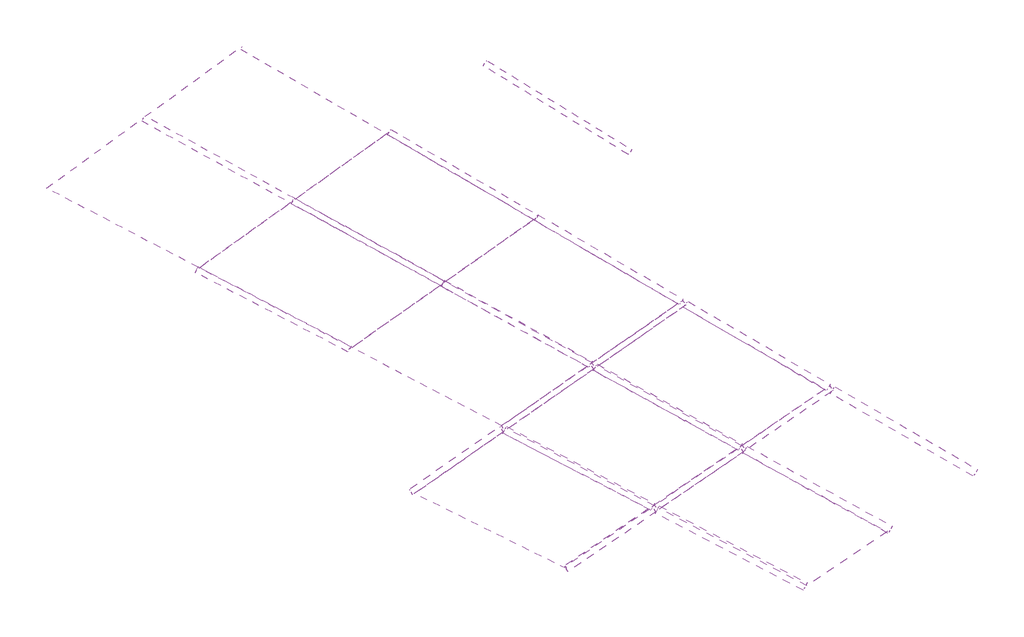
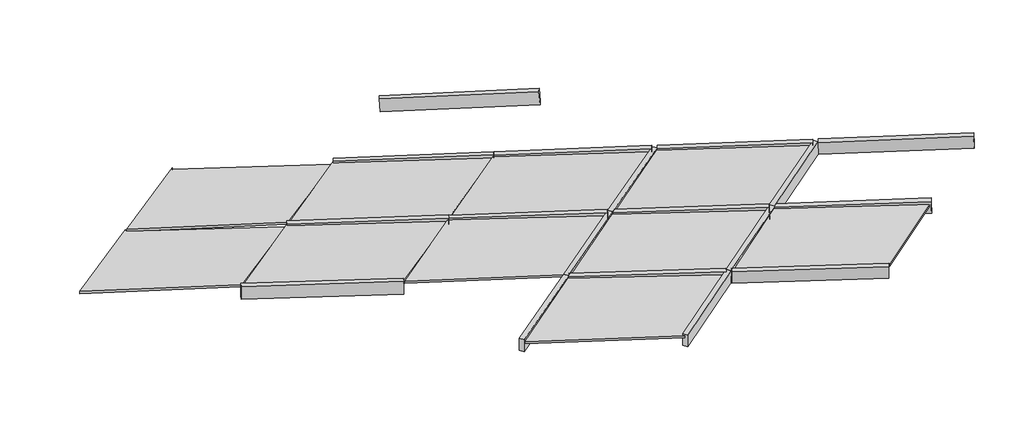
# One storey, part 5 of 18: 18 members, 10 plates.
"""IFC4 building model written with IfcOpenShell, lengths in millimetres."""

import ifcopenshell
import ifcopenshell.guid

model = None  # the IFC model being written
_history = None  # IfcOwnerHistory: only IFC2X3 demands one
_inside = {}  # id of a spatial element -> (the spatial element, [elements in it])
_under = {}  # id of a project, library or spatial element -> (it, [spatial elements below it])
_declared = {}  # id of a project -> (the project, [libraries it declares])
_typed = {}  # id of a type object -> (the type object, [elements of that type])
_made_of = {}  # id of a material, layer set ... -> (it, [elements and type objects made of it])


def new_model(schema):
    """Start an empty IFC model of exactly this schema.

    Asked for "IFC4X3", IfcOpenShell would pick the latest addendum, in which some entities
    have other attributes; the version numbers below select the first issue.
    IFC2X3 requires an IfcOwnerHistory on every rooted entity: one is made here for all.
    """
    global model, _history
    if schema == "IFC4X3":
        model = ifcopenshell.file(schema_version=(4, 3, 0, 0))
    else:
        model = ifcopenshell.file(schema=schema)
    _inside.clear()
    _under.clear()
    _declared.clear()
    _typed.clear()
    _made_of.clear()
    _history = None
    if model.schema == "IFC2X3":
        org = make("IfcOrganization", Name="unknown")
        user = make(
            "IfcPersonAndOrganization",
            ThePerson=make("IfcPerson", FamilyName="unknown"),
            TheOrganization=org,
        )
        app = make(
            "IfcApplication",
            ApplicationDeveloper=org,
            Version="unknown",
            ApplicationFullName="unknown",
            ApplicationIdentifier="unknown",
        )
        _history = make(
            "IfcOwnerHistory",
            OwningUser=user,
            OwningApplication=app,
            ChangeAction="ADDED",
            CreationDate=0,
        )
    return model


def make(cls, **values):
    """One entity of the class cls with the attributes given. An attribute that is None is left unset."""
    return model.create_entity(
        cls, **{name: value for name, value in values.items() if value is not None}
    )


def rooted(cls, **values):
    """An entity with a GlobalId (a new one), such as an element, a storey or a relation."""
    return make(cls, GlobalId=ifcopenshell.guid.new(), OwnerHistory=_history, **values)


def si_unit(unit_type, name, prefix=None):
    """IfcSIUnit, for example si_unit("LENGTHUNIT", "METRE", prefix="MILLI")."""
    return make("IfcSIUnit", UnitType=unit_type, Prefix=prefix, Name=name)


def assignment(units):
    """IfcUnitAssignment: the units of a project."""
    return None if units is None else make("IfcUnitAssignment", Units=units)


def point(xyz):
    """IfcCartesianPoint."""
    return None if xyz is None else make("IfcCartesianPoint", Coordinates=xyz)


def direction(xyz):
    """IfcDirection."""
    return None if xyz is None else make("IfcDirection", DirectionRatios=xyz)


def frame(location, z_axis=None, x_axis=None):
    """IfcAxis2Placement3D, a coordinate frame: its origin and axes. An axis left out is left unset."""
    return make(
        "IfcAxis2Placement3D",
        Location=point(location),
        Axis=direction(z_axis),
        RefDirection=direction(x_axis),
    )


def origin():
    """The frame at (0, 0, 0) with its axes left unset."""
    return frame((0.0, 0.0, 0.0))


def place(relative_to, where):
    """IfcLocalPlacement: puts the frame where relative to a parent placement (None: the world)."""
    return make(
        "IfcLocalPlacement", PlacementRelTo=relative_to, RelativePlacement=where
    )


def context(
    kind, dimensions, precision=None, world=None, true_north=None, identifier=None
):
    """IfcGeometricRepresentationContext, for example the 3D "Model" context."""
    return make(
        "IfcGeometricRepresentationContext",
        ContextIdentifier=identifier,
        ContextType=kind,
        CoordinateSpaceDimension=dimensions,
        Precision=precision,
        WorldCoordinateSystem=world,
        TrueNorth=true_north,
    )


def project(units=None, contexts=None):
    """IfcProject with its units and contexts."""
    return rooted(
        "IfcProject",
        Name="project",
        RepresentationContexts=contexts,
        UnitsInContext=assignment(units),
    )


def spatial(cls, under=None, at=None, **own):
    """A site, building, storey or space (cls), placed at a placement, below another one or the project."""
    s = rooted(cls, ObjectPlacement=at, **own)
    if under is not None:
        _under.setdefault(under.id(), (under, []))[1].append(s)
    return s


def polyline(points):
    """IfcPolyline through the points."""
    return make("IfcPolyline", Points=[point(p) for p in points])


def outline(outer, holes=None, kind="AREA"):
    """IfcArbitraryClosedProfileDef: a profile drawn as a closed curve; with holes, ...WithVoids."""
    if holes is None:
        return make("IfcArbitraryClosedProfileDef", ProfileType=kind, OuterCurve=outer)
    return make(
        "IfcArbitraryProfileDefWithVoids",
        ProfileType=kind,
        OuterCurve=outer,
        InnerCurves=holes,
    )


def extrude(swept, where, along, depth):
    """IfcExtrudedAreaSolid: the profile swept, set in the frame where, extruded along a direction by depth."""
    return make(
        "IfcExtrudedAreaSolid",
        SweptArea=swept,
        Position=where,
        ExtrudedDirection=direction(along),
        Depth=depth,
    )


def shape(context_of_items, identifier, shape_type, items):
    """IfcShapeRepresentation: the items that make up one representation, for example the "Body"."""
    return make(
        "IfcShapeRepresentation",
        ContextOfItems=context_of_items,
        RepresentationIdentifier=identifier,
        RepresentationType=shape_type,
        Items=items,
    )


def source(mapping_origin, context_of_items, identifier, shape_type, items):
    """IfcRepresentationMap: a shape defined once, which mapped items show again and again."""
    return make(
        "IfcRepresentationMap",
        MappingOrigin=mapping_origin,
        MappedRepresentation=shape(context_of_items, identifier, shape_type, items),
    )


def transform(
    local_origin,
    x_axis=None,
    y_axis=None,
    z_axis=None,
    scale=None,
    scale2=None,
    scale3=None,
    uniform=True,
):
    """IfcCartesianTransformationOperator3D, or its non-uniform kind. x_axis, y_axis, z_axis: its Axis1, 2, 3."""
    if uniform:
        return make(
            "IfcCartesianTransformationOperator3D",
            Axis1=direction(x_axis),
            Axis2=direction(y_axis),
            LocalOrigin=point(local_origin),
            Scale=scale,
            Axis3=direction(z_axis),
        )
    return make(
        "IfcCartesianTransformationOperator3DnonUniform",
        Axis1=direction(x_axis),
        Axis2=direction(y_axis),
        LocalOrigin=point(local_origin),
        Scale=scale,
        Axis3=direction(z_axis),
        Scale2=scale2,
        Scale3=scale3,
    )


def mapped(mapping_source, mapping_target):
    """IfcMappedItem: shows the shape of a source again, moved by a transform."""
    return make(
        "IfcMappedItem", MappingSource=mapping_source, MappingTarget=mapping_target
    )


def made_of(thing, what):
    """Note that an element or type object is made of a material, layer set ...; save() writes the relation."""
    if what is not None:
        _made_of.setdefault(what.id(), (what, []))[1].append(thing)
    return thing


def element(
    cls,
    number,
    at=None,
    inside=None,
    cuts=None,
    type_object=None,
    material=None,
    context=None,
    identifier="Body",
    shape_type=None,
    held_by="IfcProductDefinitionShape",
    body=None,
    shapes=None,
    **own,
):
    """One element of the class cls, such as IfcWall. Its Tag is "e" and its number.

    at: its placement. inside: the storey or other place that contains it. cuts: it is an
    opening in that element (IfcRelVoidsElement). A single representation is given by context,
    identifier, shape_type and body (its items); several are given by shapes. held_by: the class
    of the entity that holds the representations. save() writes the other relations.
    """
    e = rooted(cls, Tag="e%d" % number, ObjectPlacement=at, **own)
    if body is not None:
        shapes = [shape(context, identifier, shape_type, body)]
    if shapes is not None:
        e.Representation = make(held_by, Representations=shapes)
    if inside is not None:
        _inside.setdefault(inside.id(), (inside, []))[1].append(e)
    if cuts is not None:
        rooted(
            "IfcRelVoidsElement", RelatingBuildingElement=cuts, RelatedOpeningElement=e
        )
    if type_object is not None:
        _typed.setdefault(type_object.id(), (type_object, []))[1].append(e)
    return made_of(e, material)


def aggregate(whole, parts):
    """IfcRelAggregates: a whole, such as a stair, and the parts it consists of."""
    return rooted("IfcRelAggregates", RelatingObject=whole, RelatedObjects=parts)


def save(model, path):
    """Write the relations noted so far, then the file.

    IfcRelAggregates (storeys below a building ...), IfcRelContainedInSpatialStructure (elements
    in a storey), IfcRelDefinesByType, IfcRelAssociatesMaterial and IfcRelDeclares: one each for
    every whole, place, type object, material and project.
    """
    for whole, parts in _under.values():
        aggregate(whole, parts)
    for where, things in _inside.values():
        rooted(
            "IfcRelContainedInSpatialStructure",
            RelatedElements=things,
            RelatingStructure=where,
        )
    for kind, things in _typed.values():
        rooted("IfcRelDefinesByType", RelatedObjects=things, RelatingType=kind)
    for what, things in _made_of.values():
        rooted("IfcRelAssociatesMaterial", RelatedObjects=things, RelatingMaterial=what)
    for by, libraries in _declared.values():
        rooted("IfcRelDeclares", RelatingContext=by, RelatedDefinitions=libraries)
    model.write(path)


def rectangular_mullion_50_x_150mm_33606231(model_context):
    return source(origin(), model_context, "Body", "SweptSolid", [
        extrude(outline(polyline([(25.0, 75.0), (25.0, -75.0), (-25.0, -75.0), (-25.0, 75.0), (25.0, 75.0)])), frame((0.0, 0.0, -1452.9872634), z_axis=(0.0, 0.0, 1.0), x_axis=(1.0, 0.0, 0.0)), (0.0, 0.0, 1.0), 1452.9872634),
    ])


def rectangular_mullion_50_x_150mm_c1f0a7ff(model_context):
    return source(origin(), model_context, "Body", "SweptSolid", [
        extrude(outline(polyline([(25.0, 75.0), (25.0, -75.0), (-25.0, -75.0), (-25.0, 75.0), (25.0, 75.0)])), frame((0.0, 0.0, -1460.3121686), z_axis=(0.0, 0.0, 1.0), x_axis=(1.0, 0.0, 0.0)), (0.0, 0.0, 1.0), 1460.3121686),
    ])


def rectangular_mullion_50_x_150mm_31a9394d(model_context):
    return source(origin(), model_context, "Body", "SweptSolid", [
        extrude(outline(polyline([(25.0, 75.0), (25.0, -75.0), (-25.0, -75.0), (-25.0, 75.0), (25.0, 75.0)])), frame((0.0, 0.0, -1469.1489137), z_axis=(0.0, 0.0, 1.0), x_axis=(1.0, 0.0, 0.0)), (0.0, 0.0, 1.0), 1469.1489137),
    ])


def rectangular_mullion_50_x_150mm_77b14c54(model_context):
    return source(origin(), model_context, "Body", "SweptSolid", [
        extrude(outline(polyline([(25.0, 75.0), (25.0, -75.0), (-25.0, -75.0), (-25.0, 75.0), (25.0, 75.0)])), frame((0.0, 0.0, -947.8011093), z_axis=(0.0, 0.0, 1.0), x_axis=(1.0, 0.0, 0.0)), (0.0, 0.0, 1.0), 947.8011093),
    ])


def rectangular_mullion_50_x_150mm_375ca35b(model_context):
    return source(origin(), model_context, "Body", "SweptSolid", [
        extrude(outline(polyline([(25.0, 75.0), (25.0, -75.0), (-25.0, -75.0), (-25.0, 75.0), (25.0, 75.0)])), frame((0.0, 0.0, -978.6002071), z_axis=(0.0, 0.0, 1.0), x_axis=(1.0, 0.0, 0.0)), (0.0, 0.0, 1.0), 978.6002071),
    ])


def rectangular_mullion_50_x_150mm_1abe8832(model_context):
    return source(origin(), model_context, "Body", "SweptSolid", [
        extrude(outline(polyline([(25.0, 75.0), (25.0, -75.0), (-25.0, -75.0), (-25.0, 75.0), (25.0, 75.0)])), frame((0.0, 0.0, -1477.9872634), z_axis=(0.0, 0.0, 1.0), x_axis=(1.0, 0.0, 0.0)), (0.0, 0.0, 1.0), 1477.9872634),
    ])


def rectangular_mullion_50_x_150mm_53231dcc(model_context):
    return source(origin(), model_context, "Body", "SweptSolid", [
        extrude(outline(polyline([(25.0, 75.0), (25.0, -75.0), (-25.0, -75.0), (-25.0, 75.0), (25.0, 75.0)])), frame((0.0, 0.0, -1485.3121686), z_axis=(0.0, 0.0, 1.0), x_axis=(1.0, 0.0, 0.0)), (0.0, 0.0, 1.0), 1485.3121686),
    ])


def rectangular_mullion_50_x_150mm_7fa1822e(model_context):
    return source(origin(), model_context, "Body", "SweptSolid", [
        extrude(outline(polyline([(25.0, 75.0), (25.0, -75.0), (-25.0, -75.0), (-25.0, 75.0), (25.0, 75.0)])), frame((0.0, 0.0, -1497.1963877), z_axis=(0.0, 0.0, 1.0), x_axis=(1.0, 0.0, 0.0)), (0.0, 0.0, 1.0), 1497.1963877),
    ])


def rectangular_mullion_50_x_150mm_3273c7d7(model_context):
    return source(origin(), model_context, "Body", "SweptSolid", [
        extrude(outline(polyline([(25.0, 75.0), (25.0, -75.0), (-25.0, -75.0), (-25.0, 75.0), (25.0, 75.0)])), frame((0.0, 0.0, -1502.9872634), z_axis=(0.0, 0.0, 1.0), x_axis=(1.0, 0.0, 0.0)), (0.0, 0.0, 1.0), 1502.9872634),
    ])


def rectangular_mullion_50_x_150mm_cc159122(model_context):
    return source(origin(), model_context, "Body", "SweptSolid", [
        extrude(outline(polyline([(25.0, 75.0), (25.0, -75.0), (-25.0, -75.0), (-25.0, 75.0), (25.0, 75.0)])), frame((0.0, 0.0, -1510.3121686), z_axis=(0.0, 0.0, 1.0), x_axis=(1.0, 0.0, 0.0)), (0.0, 0.0, 1.0), 1510.3121686),
    ])


def rectangular_mullion_50_x_150mm_0ab0c800(model_context):
    return source(origin(), model_context, "Body", "SweptSolid", [
        extrude(outline(polyline([(25.0, 75.0), (25.0, -75.0), (-25.0, -75.0), (-25.0, 75.0), (25.0, 75.0)])), frame((0.0, 0.0, -1519.1489137), z_axis=(0.0, 0.0, 1.0), x_axis=(1.0, 0.0, 0.0)), (0.0, 0.0, 1.0), 1519.1489137),
    ])


def system_panel_glazed_5a9ee959(model_context):
    return source(origin(), model_context, "Body", "SweptSolid", [
        extrude(outline(polyline([(0.0, -920.2584512), (0.0, 527.0260806), (834.2119976, 920.2584512), (804.5699812, -533.9387448), (0.0, -920.2584512)])), frame((0.0, -49.5, 0.0), z_axis=(0.0, 1.0, 0.0), x_axis=(0.0, 0.0, 1.0)), (0.0, 0.0, 1.0), 25.0),
    ])


def system_panel_glazed_e94304ac(model_context):
    return source(origin(), model_context, "Body", "SweptSolid", [
        extrude(outline(polyline([(0.0, -927.8787341), (0.0, 526.0269746), (794.9134617, 927.8787341), (767.4809573, -534.4165622), (0.0, -927.8787341)])), frame((0.0, -49.5, 0.0), z_axis=(0.0, 1.0, 0.0), x_axis=(0.0, 0.0, 1.0)), (0.0, 0.0, 1.0), 25.0),
    ])


def system_panel_glazed_80c0db64(model_context):
    return source(origin(), model_context, "Body", "SweptSolid", [
        extrude(outline(polyline([(0.0, -932.203149), (0.0, 521.8805642), (825.3024619, 932.203149), (796.2439443, -530.2419345), (0.0, -932.203149)])), frame((0.0, -49.5, 0.0), z_axis=(0.0, 1.0, 0.0), x_axis=(0.0, 0.0, 1.0)), (0.0, 0.0, 1.0), 25.0),
    ])


def system_panel_glazed_621a5bd4(model_context):
    return source(origin(), model_context, "Body", "SweptSolid", [
        extrude(outline(polyline([(25.0, 525.7071793), (0.0, 525.7071793), (892.25575, 937.7742256), (860.5841525, -544.4046581), (25.0, -937.7742256), (25.0, 525.7071793)])), frame((0.0, -49.5, 0.0), z_axis=(0.0, 1.0, 0.0), x_axis=(0.0, 0.0, 1.0)), (0.0, 0.0, 1.0), 25.0),
    ])


def system_panel_glazed_10dd1964(model_context):
    return source(origin(), model_context, "Body", "SweptSolid", [
        extrude(outline(polyline([(25.0, 519.2848167), (0.0, 519.2848167), (882.7793625, 950.5960421), (851.669895, -540.116171), (25.0, -950.5960421), (25.0, 519.2848167)])), frame((0.0, -49.5, 0.0), z_axis=(0.0, 1.0, 0.0), x_axis=(0.0, 0.0, 1.0)), (0.0, 0.0, 1.0), 25.0),
    ])


def system_panel_glazed_b504ec8b(model_context):
    return source(origin(), model_context, "Body", "SweptSolid", [
        extrude(outline(polyline([(0.0, -951.1872606), (0.0, 511.1897337), (841.5030793, 951.1872606), (812.5267676, -549.3875289), (800.831173, -527.2919848), (0.0, -951.1872606)])), frame((0.0, -49.5, 0.0), z_axis=(0.0, 1.0, 0.0), x_axis=(0.0, 0.0, 1.0)), (0.0, 0.0, 1.0), 25.0),
    ])


def system_panel_glazed_0fc2bcaa(model_context):
    return source(origin(), model_context, "Body", "SweptSolid", [
        extrude(outline(polyline([(25.0, 536.2537403), (0.0, 536.2537403), (926.0473616, 955.1039708), (892.7164329, -542.7559843), (917.7102456, -543.3121558), (25.0, -955.1039708), (25.0, 536.2537403)])), frame((0.0, -49.5, 0.0), z_axis=(0.0, 1.0, 0.0), x_axis=(0.0, 0.0, 1.0)), (0.0, 0.0, 1.0), 25.0),
    ])


def system_panel_glazed_57475094(model_context):
    return source(origin(), model_context, "Body", "SweptSolid", [
        extrude(outline(polyline([(25.0, 529.2086418), (0.0, 529.2086418), (916.0412679, 968.8050018), (883.2600385, -537.215978), (908.2541182, -537.7600187), (25.0, -968.8050018), (25.0, 529.2086418)])), frame((0.0, -49.5, 0.0), z_axis=(0.0, 1.0, 0.0), x_axis=(0.0, 0.0, 1.0)), (0.0, 0.0, 1.0), 25.0),
    ])


def system_panel_glazed_36cff2f1(model_context):
    return source(origin(), model_context, "Body", "SweptSolid", [
        extrude(outline(polyline([(25.0, 532.9845581), (0.0, 532.9845581), (961.0201909, 958.6166293), (926.4961631, -539.4388393), (951.4895269, -540.0148337), (25.0, -958.6166293), (25.0, 532.9845581)])), frame((0.0, -49.5, 0.0), z_axis=(0.0, 1.0, 0.0), x_axis=(0.0, 0.0, 1.0)), (0.0, 0.0, 1.0), 25.0),
    ])


def system_panel_glazed_27429773(model_context):
    return source(origin(), model_context, "Body", "SweptSolid", [
        extrude(outline(polyline([(25.0, 525.1766212), (0.0, 525.1766212), (950.5107358, 973.0596844), (916.5109733, -533.1376997), (941.5046064, -533.7018871), (25.0, -973.0596844), (25.0, 525.1766212)])), frame((0.0, -49.5, 0.0), z_axis=(0.0, 1.0, 0.0), x_axis=(0.0, 0.0, 1.0)), (0.0, 0.0, 1.0), 25.0),
    ])


model = new_model("IFC4")

# Units and contexts
model_context = context("Model", 3, world=origin())
ifc_project = project(units=[si_unit("LENGTHUNIT", "METRE", prefix="MILLI")], contexts=[model_context])

# Site, building, storey
site = spatial("IfcSite", under=ifc_project)
building = spatial("IfcBuilding", under=site)
storey = spatial("IfcBuildingStorey", under=building, Elevation=16680.0)

# Members
placement = place(None, origin())
rectangular_mullion_50_x_150mm_shape = rectangular_mullion_50_x_150mm_33606231(model_context)
element("IfcMember", 1, ObjectType="Rectangular Mullion : 50 x 150mm", at=placement, inside=storey, context=model_context, shape_type="MappedRepresentation", body=[
    mapped(rectangular_mullion_50_x_150mm_shape, transform((-192369.9898015, -10895.1967632, 20670.3522716), x_axis=(-0.4911950601020363, -0.8588698556801574, -0.14515503413696207), y_axis=(-0.11739560750068201, -0.09984832173361695, 0.9880529257011114), z_axis=(-0.8631023602510324, 0.5023672796380411, -0.05178254607656373))),
])
element("IfcMember", 2, ObjectType="Rectangular Mullion : 50 x 150mm", at=placement, inside=storey, context=model_context, shape_type="MappedRepresentation", body=[
    mapped(rectangular_mullion_50_x_150mm_shape, transform((-193667.221656, -10140.1451404, 20592.5237644), x_axis=(-0.49571418450758314, -0.8623200655922154, -0.10330320302400721), y_axis=(-0.0965492776103373, -0.06349189575144429, 0.9933010702535309), z_axis=(-0.8631023602510329, 0.5023672796380404, -0.05178254607655939))),
])
rectangular_mullion_50_x_150mm_2_shape = rectangular_mullion_50_x_150mm_c1f0a7ff(model_context)
element("IfcMember", 3, ObjectType="Rectangular Mullion : 50 x 150mm", at=placement, inside=storey, context=model_context, shape_type="MappedRepresentation", body=[
    mapped(rectangular_mullion_50_x_150mm_2_shape, transform((-193143.6015174, -11422.3863705, 20525.1630848), x_axis=(-0.47261699893815756, -0.8672713778993139, -0.1564401783152756), y_axis=(-0.10168316493225138, -0.12266575472236636, 0.9872252258667993), z_axis=(-0.8753820344764051, 0.4824867559788743, -0.03021297769058793))),
])
element("IfcMember", 4, ObjectType="Rectangular Mullion : 50 x 150mm", at=placement, inside=storey, context=model_context, shape_type="MappedRepresentation", body=[
    mapped(rectangular_mullion_50_x_150mm_2_shape, transform((-194465.7016563, -10693.6807517, 20479.532057), x_axis=(-0.476541261222278, -0.8717323220026346, -0.11397888018653121), y_axis=(-0.08133092934813503, -0.08537733353107436, 0.9930236607707252), z_axis=(-0.8753820344764046, 0.4824867559788752, -0.030212977690588703))),
])
rectangular_mullion_50_x_150mm_3_shape = rectangular_mullion_50_x_150mm_31a9394d(model_context)
element("IfcMember", 5, ObjectType="Rectangular Mullion : 50 x 150mm", at=placement, inside=storey, context=model_context, shape_type="MappedRepresentation", body=[
    mapped(rectangular_mullion_50_x_150mm_3_shape, transform((-193917.2382786, -11949.5692611, 20379.9788832), x_axis=(-0.4544023089041995, -0.8746691769466465, -0.16873758491221946), y_axis=(-0.08574825993341377, -0.14559465583391082, 0.9856213431693719), z_axis=(-0.8866598996125425, 0.46233756833301043, -0.00884281216552476))),
])
element("IfcMember", 6, ObjectType="Rectangular Mullion : 50 x 150mm", at=placement, inside=storey, context=model_context, shape_type="MappedRepresentation", body=[
    mapped(rectangular_mullion_50_x_150mm_3_shape, transform((-195264.2067019, -11247.2096464, 20366.5453347), x_axis=(-0.4577017202994067, -0.8801737701994885, -0.1257110555511395), y_axis=(-0.06590415505898578, -0.10741558155471487, 0.992027487111735), z_axis=(-0.886659899612543, 0.4623375683330097, -0.008842812165524992))),
])
rectangular_mullion_50_x_150mm_4_shape = rectangular_mullion_50_x_150mm_77b14c54(model_context)
element("IfcMember", 7, ObjectType="Rectangular Mullion : 50 x 150mm", at=placement, inside=storey, context=model_context, shape_type="MappedRepresentation", body=[
    mapped(rectangular_mullion_50_x_150mm_4_shape, transform((-192391.5673605, -10882.6375812, 20669.057708), x_axis=(-0.5652985239655876, 0.8247339345457219, 0.015859256321191895), y_axis=(-0.11703827091705994, -0.09922353548312016, 0.9881582530885298), z_axis=(0.816541255505852, 0.5567482619774966, 0.1526163518171099))),
])
element("IfcMember", 8, ObjectType="Rectangular Mullion : 50 x 150mm", at=placement, inside=storey, context=model_context, shape_type="MappedRepresentation", body=[
    mapped(rectangular_mullion_50_x_150mm_4_shape, transform((-193165.4860683, -11410.3242016, 20524.4077604), x_axis=(-0.5683233258376309, 0.8216692690642402, 0.04322279010304115), y_axis=(-0.10133595297713271, -0.1220286239391113, 0.9873398804736611), z_axis=(0.8165412555058504, 0.5567482619774977, 0.15261635181711414))),
])
rectangular_mullion_50_x_150mm_5_shape = rectangular_mullion_50_x_150mm_375ca35b(model_context)
element("IfcMember", 9, ObjectType="Rectangular Mullion : 50 x 150mm", at=placement, inside=storey, context=model_context, shape_type="MappedRepresentation", body=[
    mapped(rectangular_mullion_50_x_150mm_5_shape, transform((-193688.799215, -10127.5859584, 20591.2292007), x_axis=(-0.5696238049687308, 0.8218996118167121, -0.003122324211763776), y_axis=(-0.09621345749314855, -0.06290774352481478, 0.9933708201884281), z_axis=(0.816254673132203, 0.5661480759484696, 0.11491155159376455))),
])
element("IfcMember", 10, ObjectType="Rectangular Mullion : 50 x 150mm", at=placement, inside=storey, context=model_context, shape_type="MappedRepresentation", body=[
    mapped(rectangular_mullion_50_x_150mm_5_shape, transform((-194487.5862072, -10681.6185828, 20478.7767325), x_axis=(-0.5719847437233794, 0.8199320759068373, 0.023341890386269278), y_axis=(-0.08100470071276286, -0.08478058149674605, 0.993101450740814), z_axis=(0.8162546731321885, 0.5661480759484908, 0.11491155159376307))),
])
rectangular_mullion_50_x_150mm_6_shape = rectangular_mullion_50_x_150mm_1abe8832(model_context)
element("IfcMember", 11, ObjectType="Rectangular Mullion : 50 x 150mm", at=placement, inside=storey, context=model_context, shape_type="MappedRepresentation", body=[
    mapped(rectangular_mullion_50_x_150mm_6_shape, transform((-194986.0310694, -9372.5343356, 20513.4006935), x_axis=(-0.4991747101394328, -0.8641678269300199, -0.06354978879792302), y_axis=(-0.0766741448358736, -0.029001435276890704, 0.9966343322731601), z_axis=(-0.8631023602510312, 0.5023672796380431, -0.05178254607656505))),
])
rectangular_mullion_50_x_150mm_7_shape = rectangular_mullion_50_x_150mm_53231dcc(model_context)
element("IfcMember", 12, ObjectType="Rectangular Mullion : 50 x 150mm", at=placement, inside=storey, context=model_context, shape_type="MappedRepresentation", body=[
    mapped(rectangular_mullion_50_x_150mm_7_shape, transform((-195809.6863461, -9952.912964, 20433.1457047), x_axis=(-0.4794480802024874, -0.8744780273860794, -0.07360514933821362), y_axis=(-0.06193409485986229, -0.04994707122467097, 0.9968297035953371), z_axis=(-0.8753820344763987, 0.4824867559788861, -0.030212977690589293))),
])
element("IfcMember", 13, ObjectType="Rectangular Mullion : 50 x 150mm", at=placement, inside=storey, context=model_context, shape_type="MappedRepresentation", body=[
    mapped(rectangular_mullion_50_x_150mm_4_shape, transform((-193939.4047761, -11938.0108219, 20379.7578128), x_axis=(-0.5709336465259609, 0.8179375409536254, 0.07080219179732829), y_axis=(-0.08541164628724263, -0.14494672084518964, 0.9857460620234451), z_axis=(0.8165412555058514, 0.5567482619774965, 0.1526163518171127))),
])
element("IfcMember", 14, ObjectType="Rectangular Mullion : 50 x 150mm", at=placement, inside=storey, context=model_context, shape_type="MappedRepresentation", body=[
    mapped(rectangular_mullion_50_x_150mm_5_shape, transform((-195286.3731994, -11235.6512072, 20366.3242644), x_axis=(-0.5739569037394104, 0.8173545769676169, 0.05004965694145333), y_axis=(-0.06558796566232734, -0.10680754472377224, 0.9921140897852206), z_axis=(0.816254673132195, 0.5661480759484814, 0.11491155159376304))),
])
rectangular_mullion_50_x_150mm_8_shape = rectangular_mullion_50_x_150mm_7fa1822e(model_context)
element("IfcMember", 15, ObjectType="Rectangular Mullion : 50 x 150mm", at=placement, inside=storey, context=model_context, shape_type="MappedRepresentation", body=[
    mapped(rectangular_mullion_50_x_150mm_8_shape, transform((-195434.7393628, -8010.7580802, 20483.6296958), x_axis=(-0.5220484149474773, -0.852708523879263, -0.018804939629653628), y_axis=(-0.07247828855058312, 0.02238328388365025, 0.9971187924672579), z_axis=(-0.8498307773548831, 0.5219072349625289, -0.07348801231604203))),
])
rectangular_mullion_50_x_150mm_9_shape = rectangular_mullion_50_x_150mm_3273c7d7(model_context)
element("IfcMember", 16, ObjectType="Rectangular Mullion : 50 x 150mm", at=placement, inside=storey, context=model_context, shape_type="MappedRepresentation", body=[
    mapped(rectangular_mullion_50_x_150mm_9_shape, transform((-196283.2629239, -8617.4827127, 20435.5721863), x_axis=(-0.5016424065892477, -0.864650468169784, -0.027100992696232007), y_axis=(-0.0583884546844171, 0.002585390271900086, 0.9982905910188214), z_axis=(-0.8631023602510386, 0.5023672796380306, -0.05178254607655985))),
])
rectangular_mullion_50_x_150mm_10_shape = rectangular_mullion_50_x_150mm_cc159122(model_context)
element("IfcMember", 17, ObjectType="Rectangular Mullion : 50 x 150mm", at=placement, inside=storey, context=model_context, shape_type="MappedRepresentation", body=[
    mapped(rectangular_mullion_50_x_150mm_10_shape, transform((-197131.7864849, -9224.2073453, 20387.5146768), x_axis=(-0.48141665407393697, -0.875729389185968, -0.03655190961122024), y_axis=(-0.04409420479161604, -0.01745185437005568, 0.9988749340547302), z_axis=(-0.8753820344764053, 0.48248675597887436, -0.030212977690585067))),
])
rectangular_mullion_50_x_150mm_11_shape = rectangular_mullion_50_x_150mm_0ab0c800(model_context)
element("IfcMember", 18, ObjectType="Rectangular Mullion : 50 x 150mm", at=placement, inside=storey, context=model_context, shape_type="MappedRepresentation", body=[
    mapped(rectangular_mullion_50_x_150mm_11_shape, transform((-197980.310046, -9830.9319778, 20339.4571674), x_axis=(-0.46147265908432455, -0.8859023659582309, -0.047116694570520604), y_axis=(-0.02961768621478874, -0.03769576763416341, 0.9988502499202538), z_axis=(-0.8866598996125432, 0.4623375683330094, -0.008842812165527618))),
])

# Plates
system_panel_glazed_shape = system_panel_glazed_5a9ee959(model_context)
element("IfcPlate", 19, ObjectType="System Panel : Glazed", at=placement, inside=storey, context=model_context, shape_type="MappedRepresentation", body=[
    mapped(system_panel_glazed_shape, transform((-193232.7816237, -10422.0757489, 20618.6478832), x_axis=(-0.8643755651634721, 0.5012802076008754, -0.039661515552881915), y_axis=(0.09876671376508478, 0.09190995570330343, -0.9908570513927136), z_axis=(-0.49305174028733956, -0.8603898613478893, -0.12895451868541052))),
])
system_panel_glazed_2_shape = system_panel_glazed_e94304ac(model_context)
element("IfcPlate", 20, ObjectType="System Panel : Glazed", at=placement, inside=storey, context=model_context, shape_type="MappedRepresentation", body=[
    mapped(system_panel_glazed_2_shape, transform((-192703.5348366, -11693.5655362, 20538.8193576), x_axis=(-0.8767685887348218, 0.48058422270327533, -0.01776644862198574), y_axis=(0.10390907770807906, 0.15324043781050123, -0.9827106755243389), z_axis=(-0.4695527077739041, -0.8634559474045765, -0.1842934657383708))),
])
system_panel_glazed_3_shape = system_panel_glazed_80c0db64(model_context)
element("IfcPlate", 21, ObjectType="System Panel : Glazed", at=placement, inside=storey, context=model_context, shape_type="MappedRepresentation", body=[
    mapped(system_panel_glazed_3_shape, transform((-194029.2237054, -10962.9458329, 20494.144918), x_axis=(-0.8764655579188813, 0.48112410798966443, -0.018102996798710313), y_axis=(0.08320311363633309, 0.11432298118117246, -0.9899532806426115), z_axis=(-0.4742208005382765, -0.8691661801318543, -0.1402311793141495))),
])
system_panel_glazed_4_shape = system_panel_glazed_621a5bd4(model_context)
element("IfcPlate", 22, ObjectType="System Panel : Glazed", at=placement, inside=storey, context=model_context, shape_type="MappedRepresentation", body=[
    mapped(system_panel_glazed_4_shape, transform((-194532.4704323, -9636.8009913, 20543.2778603), x_axis=(-0.8640932577913096, 0.5017370858289237, -0.040034217158582124), y_axis=(0.07882573723997756, 0.05633812016591988, -0.99529519207356), z_axis=(-0.49712105667349815, -0.8631835916652203, -0.08823118548311079))),
])
system_panel_glazed_5_shape = system_panel_glazed_10dd1964(model_context)
element("IfcPlate", 23, ObjectType="System Panel : Glazed", at=placement, inside=storey, context=model_context, shape_type="MappedRepresentation", body=[
    mapped(system_panel_glazed_5_shape, transform((-195355.2595894, -10203.6952519, 20451.6067521), x_axis=(-0.8761959473192882, 0.48160117711842304, -0.018465321535371622), y_axis=(0.06375027064052198, 0.07783640342649543, -0.9949258250215882), z_axis=(-0.477720174259488, -0.8729271450125591, -0.0989021466182979))),
])
system_panel_glazed_6_shape = system_panel_glazed_b504ec8b(model_context)
element("IfcPlate", 24, ObjectType="System Panel : Glazed", at=placement, inside=storey, context=model_context, shape_type="MappedRepresentation", body=[
    mapped(system_panel_glazed_6_shape, transform((-194831.2492402, -11501.3243715, 20369.9801796), x_axis=(-0.8875496476282999, 0.4607007859949498, 0.0032262638633748235), y_axis=(0.06744028567139013, 0.13684608491826028, -0.9882939628021137), z_axis=(-0.45574930703561356, -0.8769423782815949, -0.1525274870650477))),
])
system_panel_glazed_7_shape = system_panel_glazed_0fc2bcaa(model_context)
element("IfcPlate", 25, ObjectType="System Panel : Glazed", at=placement, inside=storey, context=model_context, shape_type="MappedRepresentation", body=[
    mapped(system_panel_glazed_7_shape, transform((-195820.5384511, -8886.9532421, 20465.7885135), x_axis=(-0.863843401829091, 0.5021362745734106, -0.04041953579495909), y_axis=(0.06014523161655773, 0.023142212555539148, -0.997921334130013), z_axis=(-0.5001571035486092, -0.8644788023749168, -0.050192350157122034))),
])
system_panel_glazed_8_shape = system_panel_glazed_57475094(model_context)
element("IfcPlate", 26, ObjectType="System Panel : Glazed", at=placement, inside=storey, context=model_context, shape_type="MappedRepresentation", body=[
    mapped(system_panel_glazed_8_shape, transform((-196668.6138807, -9479.6726578, 20406.073662), x_axis=(-0.8759577205780991, 0.48201973574315865, -0.01884266737265188), y_axis=(0.04553359101116545, 0.04373352774176858, -0.998005045398513), z_axis=(-0.48023407193705947, -0.8750681990024295, -0.060256810780157696))),
])
system_panel_glazed_9_shape = system_panel_glazed_36cff2f1(model_context)
element("IfcPlate", 27, ObjectType="System Panel : Glazed", at=placement, inside=storey, context=model_context, shape_type="MappedRepresentation", body=[
    mapped(system_panel_glazed_9_shape, transform((-197120.549236, -8130.1825863, 20387.7425785), x_axis=(-0.8636234107998698, 0.5024830388884192, -0.04080931202383556), y_axis=(0.042684369660132775, -0.0077767055313565266, -0.9990583403574568), z_axis=(-0.5023272328921821, -0.864552091247565, -0.01473202682408382))),
])
system_panel_glazed_10_shape = system_panel_glazed_27429773(model_context)
element("IfcPlate", 28, ObjectType="System Panel : Glazed", at=placement, inside=storey, context=model_context, shape_type="MappedRepresentation", body=[
    mapped(system_panel_glazed_10_shape, transform((-197994.2007421, -8748.9379539, 20360.2783438), x_axis=(-0.8757484030731459, 0.48238478089760356, -0.01922648364121242), y_axis=(0.028514067270950842, 0.011927928602077137, -0.9995222221076085), z_axis=(-0.4819249759895231, -0.8758782150947897, -0.024200616518236698))),
])

save(model, "model.ifc")
